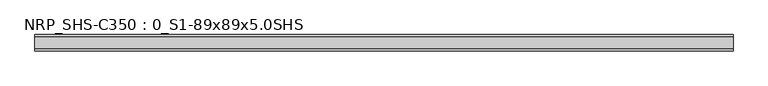
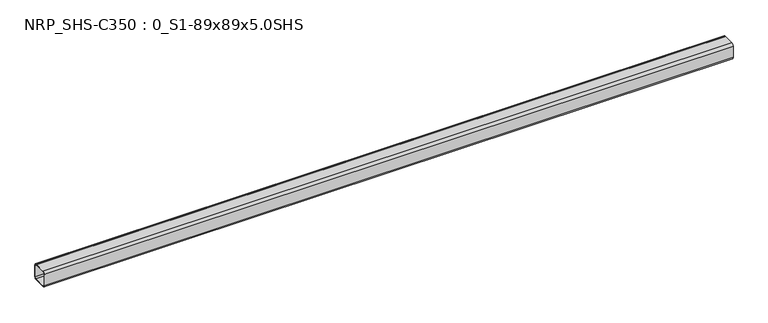
"""IFC4 building model written with IfcOpenShell, lengths in millimetres: beam geometry, NRP_SHS-C350 : 0_S1-89x89x5.0SHS."""

from ifc_helpers import new_model, si_unit, point, frame, frame_2d, origin, place, context, project, spatial, polyline, circle_curve, trimmed, segment, composite_curve, outline, extrude, source, transform, mapped, element, save


def nrp_shs_c350_0_s1_89x89x5_0shs_d2605492(model_context):
    return source(origin(), model_context, "Body", "SweptSolid", [
        extrude(outline(composite_curve([segment(trimmed(circle_curve(frame_2d((-32.0, 32.0)), 12.5), [point((-44.5, 32.0))], [point((-32.0, 44.5))], False, "CARTESIAN"), True, "CONTINUOUS"), segment(polyline([(-32.0, 44.5), (32.0, 44.5)]), True, "CONTINUOUS"), segment(trimmed(circle_curve(frame_2d((32.0, 32.0)), 12.5), [point((32.0, 44.5))], [point((44.5, 32.0))], False, "CARTESIAN"), True, "CONTINUOUS"), segment(polyline([(44.5, 32.0), (44.5, -32.0)]), True, "CONTINUOUS"), segment(trimmed(circle_curve(frame_2d((32.0, -32.0)), 12.5), [point((44.5, -32.0))], [point((32.0, -44.5))], False, "CARTESIAN"), True, "CONTINUOUS"), segment(polyline([(32.0, -44.5), (-32.0, -44.5)]), True, "CONTINUOUS"), segment(trimmed(circle_curve(frame_2d((-32.0, -32.0)), 12.5), [point((-32.0, -44.5))], [point((-44.5, -32.0))], False, "CARTESIAN"), True, "CONTINUOUS"), segment(polyline([(-44.5, -32.0), (-44.5, 32.0)]), True, "CONTINUOUS")], self_intersect=False), holes=[composite_curve([segment(polyline([(32.0, 39.5), (-32.0, 39.5)]), True, "CONTINUOUS"), segment(trimmed(circle_curve(frame_2d((-32.0, 32.0)), 7.5), [point((-32.0, 39.5))], [point((-39.5, 32.0))], True, "CARTESIAN"), True, "CONTINUOUS"), segment(polyline([(-39.5, 32.0), (-39.5, -32.0)]), True, "CONTINUOUS"), segment(trimmed(circle_curve(frame_2d((-32.0, -32.0)), 7.5), [point((-39.5, -32.0))], [point((-32.0, -39.5))], True, "CARTESIAN"), True, "CONTINUOUS"), segment(polyline([(-32.0, -39.5), (32.0, -39.5)]), True, "CONTINUOUS"), segment(trimmed(circle_curve(frame_2d((32.0, -32.0)), 7.5), [point((32.0, -39.5))], [point((39.5, -32.0))], True, "CARTESIAN"), True, "CONTINUOUS"), segment(polyline([(39.5, -32.0), (39.5, 32.0)]), True, "CONTINUOUS"), segment(trimmed(circle_curve(frame_2d((32.0, 32.0)), 7.5), [point((39.5, 32.0))], [point((32.0, 39.5))], True, "CARTESIAN"), True, "CONTINUOUS")], self_intersect=False)]), frame((-1843.5, 0.0, 0.0), z_axis=(1.0, 0.0, 0.0), x_axis=(0.0, 1.0, 0.0)), (0.0, 0.0, 1.0), 3768.0),
    ])


if __name__ == "__main__":
    model = new_model("IFC4")
    model_context = context("Model", 3, world=origin())
    ifc_project = project(units=[si_unit("LENGTHUNIT", "METRE", prefix="MILLI")], contexts=[model_context])
    site = spatial("IfcSite", under=ifc_project)
    building = spatial("IfcBuilding", under=site)
    placement = place(None, origin())
    nrp_shs_c350_0_s1_89x89x5_0shs_shape = nrp_shs_c350_0_s1_89x89x5_0shs_d2605492(model_context)
    element("IfcBeam", 1, ObjectType="NRP_SHS-C350 : 0_S1-89x89x5.0SHS", at=placement, inside=building, context=model_context, shape_type="MappedRepresentation", body=[
        mapped(nrp_shs_c350_0_s1_89x89x5_0shs_shape, transform((0.0, 0.0, 0.0), x_axis=(1.0, 0.0, 0.0), y_axis=(0.0, 1.0, 0.0), z_axis=(0.0, 0.0, 1.0))),
    ])
    save(model, "model.ifc")
